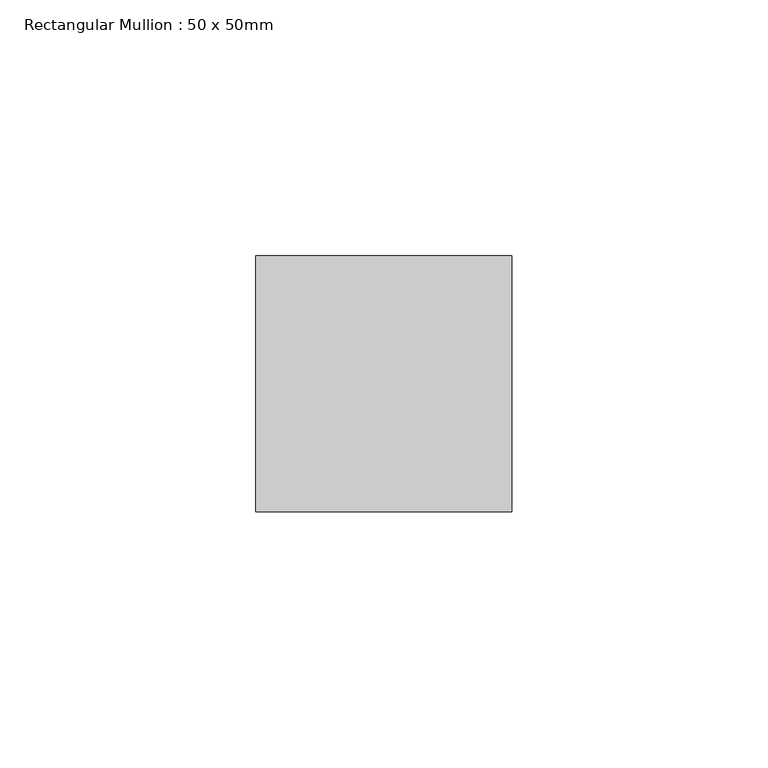
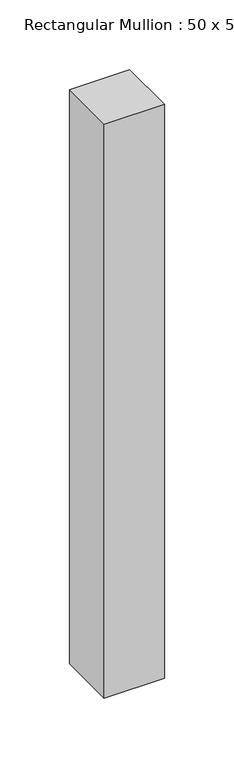
"""IFC4 building model written with IfcOpenShell, lengths in millimetres: member geometry, Rectangular Mullion : 50 x 50mm."""

import ifcopenshell
import ifcopenshell.guid

model = None  # the IFC model being written
_history = None  # IfcOwnerHistory: only IFC2X3 demands one
_inside = {}  # id of a spatial element -> (the spatial element, [elements in it])
_under = {}  # id of a project, library or spatial element -> (it, [spatial elements below it])
_declared = {}  # id of a project -> (the project, [libraries it declares])
_typed = {}  # id of a type object -> (the type object, [elements of that type])
_made_of = {}  # id of a material, layer set ... -> (it, [elements and type objects made of it])


def new_model(schema):
    """Start an empty IFC model of exactly this schema.

    Asked for "IFC4X3", IfcOpenShell would pick the latest addendum, in which some entities
    have other attributes; the version numbers below select the first issue.
    IFC2X3 requires an IfcOwnerHistory on every rooted entity: one is made here for all.
    """
    global model, _history
    if schema == "IFC4X3":
        model = ifcopenshell.file(schema_version=(4, 3, 0, 0))
    else:
        model = ifcopenshell.file(schema=schema)
    _inside.clear()
    _under.clear()
    _declared.clear()
    _typed.clear()
    _made_of.clear()
    _history = None
    if model.schema == "IFC2X3":
        org = make("IfcOrganization", Name="unknown")
        user = make(
            "IfcPersonAndOrganization",
            ThePerson=make("IfcPerson", FamilyName="unknown"),
            TheOrganization=org,
        )
        app = make(
            "IfcApplication",
            ApplicationDeveloper=org,
            Version="unknown",
            ApplicationFullName="unknown",
            ApplicationIdentifier="unknown",
        )
        _history = make(
            "IfcOwnerHistory",
            OwningUser=user,
            OwningApplication=app,
            ChangeAction="ADDED",
            CreationDate=0,
        )
    return model


def make(cls, **values):
    """One entity of the class cls with the attributes given. An attribute that is None is left unset."""
    return model.create_entity(
        cls, **{name: value for name, value in values.items() if value is not None}
    )


def rooted(cls, **values):
    """An entity with a GlobalId (a new one), such as an element, a storey or a relation."""
    return make(cls, GlobalId=ifcopenshell.guid.new(), OwnerHistory=_history, **values)


def si_unit(unit_type, name, prefix=None):
    """IfcSIUnit, for example si_unit("LENGTHUNIT", "METRE", prefix="MILLI")."""
    return make("IfcSIUnit", UnitType=unit_type, Prefix=prefix, Name=name)


def assignment(units):
    """IfcUnitAssignment: the units of a project."""
    return None if units is None else make("IfcUnitAssignment", Units=units)


def point(xyz):
    """IfcCartesianPoint."""
    return None if xyz is None else make("IfcCartesianPoint", Coordinates=xyz)


def direction(xyz):
    """IfcDirection."""
    return None if xyz is None else make("IfcDirection", DirectionRatios=xyz)


def frame(location, z_axis=None, x_axis=None):
    """IfcAxis2Placement3D, a coordinate frame: its origin and axes. An axis left out is left unset."""
    return make(
        "IfcAxis2Placement3D",
        Location=point(location),
        Axis=direction(z_axis),
        RefDirection=direction(x_axis),
    )


def origin():
    """The frame at (0, 0, 0) with its axes left unset."""
    return frame((0.0, 0.0, 0.0))


def place(relative_to, where):
    """IfcLocalPlacement: puts the frame where relative to a parent placement (None: the world)."""
    return make(
        "IfcLocalPlacement", PlacementRelTo=relative_to, RelativePlacement=where
    )


def context(
    kind, dimensions, precision=None, world=None, true_north=None, identifier=None
):
    """IfcGeometricRepresentationContext, for example the 3D "Model" context."""
    return make(
        "IfcGeometricRepresentationContext",
        ContextIdentifier=identifier,
        ContextType=kind,
        CoordinateSpaceDimension=dimensions,
        Precision=precision,
        WorldCoordinateSystem=world,
        TrueNorth=true_north,
    )


def project(units=None, contexts=None):
    """IfcProject with its units and contexts."""
    return rooted(
        "IfcProject",
        Name="project",
        RepresentationContexts=contexts,
        UnitsInContext=assignment(units),
    )


def spatial(cls, under=None, at=None, **own):
    """A site, building, storey or space (cls), placed at a placement, below another one or the project."""
    s = rooted(cls, ObjectPlacement=at, **own)
    if under is not None:
        _under.setdefault(under.id(), (under, []))[1].append(s)
    return s


def polyline(points):
    """IfcPolyline through the points."""
    return make("IfcPolyline", Points=[point(p) for p in points])


def outline(outer, holes=None, kind="AREA"):
    """IfcArbitraryClosedProfileDef: a profile drawn as a closed curve; with holes, ...WithVoids."""
    if holes is None:
        return make("IfcArbitraryClosedProfileDef", ProfileType=kind, OuterCurve=outer)
    return make(
        "IfcArbitraryProfileDefWithVoids",
        ProfileType=kind,
        OuterCurve=outer,
        InnerCurves=holes,
    )


def extrude(swept, where, along, depth):
    """IfcExtrudedAreaSolid: the profile swept, set in the frame where, extruded along a direction by depth."""
    return make(
        "IfcExtrudedAreaSolid",
        SweptArea=swept,
        Position=where,
        ExtrudedDirection=direction(along),
        Depth=depth,
    )


def shape(context_of_items, identifier, shape_type, items):
    """IfcShapeRepresentation: the items that make up one representation, for example the "Body"."""
    return make(
        "IfcShapeRepresentation",
        ContextOfItems=context_of_items,
        RepresentationIdentifier=identifier,
        RepresentationType=shape_type,
        Items=items,
    )


def source(mapping_origin, context_of_items, identifier, shape_type, items):
    """IfcRepresentationMap: a shape defined once, which mapped items show again and again."""
    return make(
        "IfcRepresentationMap",
        MappingOrigin=mapping_origin,
        MappedRepresentation=shape(context_of_items, identifier, shape_type, items),
    )


def transform(
    local_origin,
    x_axis=None,
    y_axis=None,
    z_axis=None,
    scale=None,
    scale2=None,
    scale3=None,
    uniform=True,
):
    """IfcCartesianTransformationOperator3D, or its non-uniform kind. x_axis, y_axis, z_axis: its Axis1, 2, 3."""
    if uniform:
        return make(
            "IfcCartesianTransformationOperator3D",
            Axis1=direction(x_axis),
            Axis2=direction(y_axis),
            LocalOrigin=point(local_origin),
            Scale=scale,
            Axis3=direction(z_axis),
        )
    return make(
        "IfcCartesianTransformationOperator3DnonUniform",
        Axis1=direction(x_axis),
        Axis2=direction(y_axis),
        LocalOrigin=point(local_origin),
        Scale=scale,
        Axis3=direction(z_axis),
        Scale2=scale2,
        Scale3=scale3,
    )


def mapped(mapping_source, mapping_target):
    """IfcMappedItem: shows the shape of a source again, moved by a transform."""
    return make(
        "IfcMappedItem", MappingSource=mapping_source, MappingTarget=mapping_target
    )


def made_of(thing, what):
    """Note that an element or type object is made of a material, layer set ...; save() writes the relation."""
    if what is not None:
        _made_of.setdefault(what.id(), (what, []))[1].append(thing)
    return thing


def element(
    cls,
    number,
    at=None,
    inside=None,
    cuts=None,
    type_object=None,
    material=None,
    context=None,
    identifier="Body",
    shape_type=None,
    held_by="IfcProductDefinitionShape",
    body=None,
    shapes=None,
    **own,
):
    """One element of the class cls, such as IfcWall. Its Tag is "e" and its number.

    at: its placement. inside: the storey or other place that contains it. cuts: it is an
    opening in that element (IfcRelVoidsElement). A single representation is given by context,
    identifier, shape_type and body (its items); several are given by shapes. held_by: the class
    of the entity that holds the representations. save() writes the other relations.
    """
    e = rooted(cls, Tag="e%d" % number, ObjectPlacement=at, **own)
    if body is not None:
        shapes = [shape(context, identifier, shape_type, body)]
    if shapes is not None:
        e.Representation = make(held_by, Representations=shapes)
    if inside is not None:
        _inside.setdefault(inside.id(), (inside, []))[1].append(e)
    if cuts is not None:
        rooted(
            "IfcRelVoidsElement", RelatingBuildingElement=cuts, RelatedOpeningElement=e
        )
    if type_object is not None:
        _typed.setdefault(type_object.id(), (type_object, []))[1].append(e)
    return made_of(e, material)


def aggregate(whole, parts):
    """IfcRelAggregates: a whole, such as a stair, and the parts it consists of."""
    return rooted("IfcRelAggregates", RelatingObject=whole, RelatedObjects=parts)


def save(model, path):
    """Write the relations noted so far, then the file.

    IfcRelAggregates (storeys below a building ...), IfcRelContainedInSpatialStructure (elements
    in a storey), IfcRelDefinesByType, IfcRelAssociatesMaterial and IfcRelDeclares: one each for
    every whole, place, type object, material and project.
    """
    for whole, parts in _under.values():
        aggregate(whole, parts)
    for where, things in _inside.values():
        rooted(
            "IfcRelContainedInSpatialStructure",
            RelatedElements=things,
            RelatingStructure=where,
        )
    for kind, things in _typed.values():
        rooted("IfcRelDefinesByType", RelatedObjects=things, RelatingType=kind)
    for what, things in _made_of.values():
        rooted("IfcRelAssociatesMaterial", RelatedObjects=things, RelatingMaterial=what)
    for by, libraries in _declared.values():
        rooted("IfcRelDeclares", RelatingContext=by, RelatedDefinitions=libraries)
    model.write(path)


def rectangular_mullion_50_x_50mm_29a27bd5(model_context):
    return source(origin(), model_context, "Body", "SweptSolid", [
        extrude(outline(polyline([(0.0, 50.0), (0.0, 0.0), (-50.0, 0.0), (-50.0, 50.0), (0.0, 50.0)])), frame((0.0, 0.0, -503.0), z_axis=(0.0, 0.0, 1.0), x_axis=(1.0, 0.0, 0.0)), (0.0, 0.0, 1.0), 503.0),
    ])


if __name__ == "__main__":
    model = new_model("IFC4")
    model_context = context("Model", 3, world=origin())
    ifc_project = project(units=[si_unit("LENGTHUNIT", "METRE", prefix="MILLI")], contexts=[model_context])
    site = spatial("IfcSite", under=ifc_project)
    building = spatial("IfcBuilding", under=site)
    placement = place(None, origin())
    rectangular_mullion_50_x_50mm_shape = rectangular_mullion_50_x_50mm_29a27bd5(model_context)
    element("IfcMember", 1, ObjectType="Rectangular Mullion : 50 x 50mm", at=placement, inside=building, context=model_context, shape_type="MappedRepresentation", body=[
        mapped(rectangular_mullion_50_x_50mm_shape, transform((0.0, 0.0, 0.0), x_axis=(1.0, 0.0, 0.0), y_axis=(0.0, 1.0, 0.0), z_axis=(0.0, 0.0, 1.0))),
    ])
    save(model, "model.ifc")
